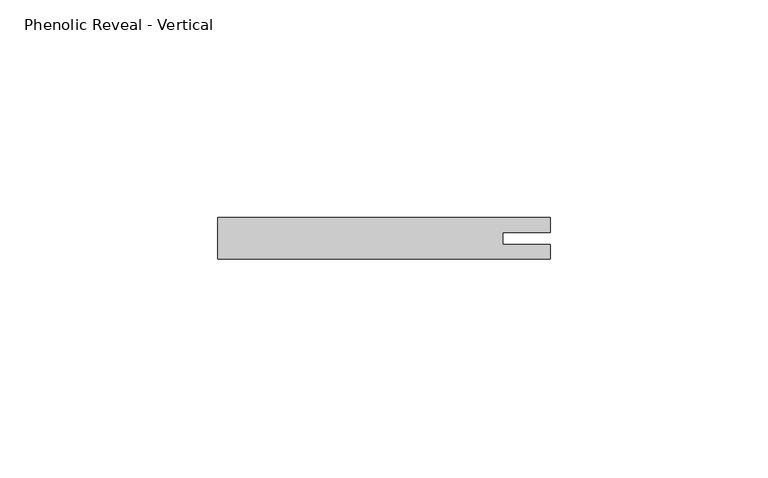
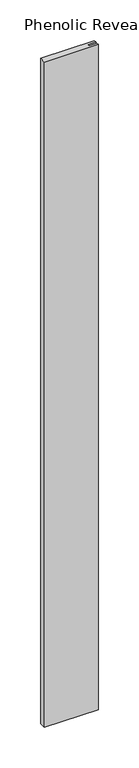
"""IFC4 building model written with IfcOpenShell, lengths in millimetres: proxy geometry, Phenolic Reveal - Vertical."""

import ifcopenshell
import ifcopenshell.guid

model = None  # the IFC model being written
_history = None  # IfcOwnerHistory: only IFC2X3 demands one
_inside = {}  # id of a spatial element -> (the spatial element, [elements in it])
_under = {}  # id of a project, library or spatial element -> (it, [spatial elements below it])
_declared = {}  # id of a project -> (the project, [libraries it declares])
_typed = {}  # id of a type object -> (the type object, [elements of that type])
_made_of = {}  # id of a material, layer set ... -> (it, [elements and type objects made of it])


def new_model(schema):
    """Start an empty IFC model of exactly this schema.

    Asked for "IFC4X3", IfcOpenShell would pick the latest addendum, in which some entities
    have other attributes; the version numbers below select the first issue.
    IFC2X3 requires an IfcOwnerHistory on every rooted entity: one is made here for all.
    """
    global model, _history
    if schema == "IFC4X3":
        model = ifcopenshell.file(schema_version=(4, 3, 0, 0))
    else:
        model = ifcopenshell.file(schema=schema)
    _inside.clear()
    _under.clear()
    _declared.clear()
    _typed.clear()
    _made_of.clear()
    _history = None
    if model.schema == "IFC2X3":
        org = make("IfcOrganization", Name="unknown")
        user = make(
            "IfcPersonAndOrganization",
            ThePerson=make("IfcPerson", FamilyName="unknown"),
            TheOrganization=org,
        )
        app = make(
            "IfcApplication",
            ApplicationDeveloper=org,
            Version="unknown",
            ApplicationFullName="unknown",
            ApplicationIdentifier="unknown",
        )
        _history = make(
            "IfcOwnerHistory",
            OwningUser=user,
            OwningApplication=app,
            ChangeAction="ADDED",
            CreationDate=0,
        )
    return model


def make(cls, **values):
    """One entity of the class cls with the attributes given. An attribute that is None is left unset."""
    return model.create_entity(
        cls, **{name: value for name, value in values.items() if value is not None}
    )


def rooted(cls, **values):
    """An entity with a GlobalId (a new one), such as an element, a storey or a relation."""
    return make(cls, GlobalId=ifcopenshell.guid.new(), OwnerHistory=_history, **values)


def si_unit(unit_type, name, prefix=None):
    """IfcSIUnit, for example si_unit("LENGTHUNIT", "METRE", prefix="MILLI")."""
    return make("IfcSIUnit", UnitType=unit_type, Prefix=prefix, Name=name)


def assignment(units):
    """IfcUnitAssignment: the units of a project."""
    return None if units is None else make("IfcUnitAssignment", Units=units)


def point(xyz):
    """IfcCartesianPoint."""
    return None if xyz is None else make("IfcCartesianPoint", Coordinates=xyz)


def direction(xyz):
    """IfcDirection."""
    return None if xyz is None else make("IfcDirection", DirectionRatios=xyz)


def frame(location, z_axis=None, x_axis=None):
    """IfcAxis2Placement3D, a coordinate frame: its origin and axes. An axis left out is left unset."""
    return make(
        "IfcAxis2Placement3D",
        Location=point(location),
        Axis=direction(z_axis),
        RefDirection=direction(x_axis),
    )


def origin():
    """The frame at (0, 0, 0) with its axes left unset."""
    return frame((0.0, 0.0, 0.0))


def origin_with_axes():
    """The frame at (0, 0, 0) with the z axis (0, 0, 1) and the x axis (1, 0, 0) written out."""
    return frame((0.0, 0.0, 0.0), z_axis=(0.0, 0.0, 1.0), x_axis=(1.0, 0.0, 0.0))


def place(relative_to, where):
    """IfcLocalPlacement: puts the frame where relative to a parent placement (None: the world)."""
    return make(
        "IfcLocalPlacement", PlacementRelTo=relative_to, RelativePlacement=where
    )


def context(
    kind, dimensions, precision=None, world=None, true_north=None, identifier=None
):
    """IfcGeometricRepresentationContext, for example the 3D "Model" context."""
    return make(
        "IfcGeometricRepresentationContext",
        ContextIdentifier=identifier,
        ContextType=kind,
        CoordinateSpaceDimension=dimensions,
        Precision=precision,
        WorldCoordinateSystem=world,
        TrueNorth=true_north,
    )


def project(units=None, contexts=None):
    """IfcProject with its units and contexts."""
    return rooted(
        "IfcProject",
        Name="project",
        RepresentationContexts=contexts,
        UnitsInContext=assignment(units),
    )


def spatial(cls, under=None, at=None, **own):
    """A site, building, storey or space (cls), placed at a placement, below another one or the project."""
    s = rooted(cls, ObjectPlacement=at, **own)
    if under is not None:
        _under.setdefault(under.id(), (under, []))[1].append(s)
    return s


def polyline(points):
    """IfcPolyline through the points."""
    return make("IfcPolyline", Points=[point(p) for p in points])


def outline(outer, holes=None, kind="AREA"):
    """IfcArbitraryClosedProfileDef: a profile drawn as a closed curve; with holes, ...WithVoids."""
    if holes is None:
        return make("IfcArbitraryClosedProfileDef", ProfileType=kind, OuterCurve=outer)
    return make(
        "IfcArbitraryProfileDefWithVoids",
        ProfileType=kind,
        OuterCurve=outer,
        InnerCurves=holes,
    )


def extrude(swept, where, along, depth):
    """IfcExtrudedAreaSolid: the profile swept, set in the frame where, extruded along a direction by depth."""
    return make(
        "IfcExtrudedAreaSolid",
        SweptArea=swept,
        Position=where,
        ExtrudedDirection=direction(along),
        Depth=depth,
    )


def shape(context_of_items, identifier, shape_type, items):
    """IfcShapeRepresentation: the items that make up one representation, for example the "Body"."""
    return make(
        "IfcShapeRepresentation",
        ContextOfItems=context_of_items,
        RepresentationIdentifier=identifier,
        RepresentationType=shape_type,
        Items=items,
    )


def source(mapping_origin, context_of_items, identifier, shape_type, items):
    """IfcRepresentationMap: a shape defined once, which mapped items show again and again."""
    return make(
        "IfcRepresentationMap",
        MappingOrigin=mapping_origin,
        MappedRepresentation=shape(context_of_items, identifier, shape_type, items),
    )


def transform(
    local_origin,
    x_axis=None,
    y_axis=None,
    z_axis=None,
    scale=None,
    scale2=None,
    scale3=None,
    uniform=True,
):
    """IfcCartesianTransformationOperator3D, or its non-uniform kind. x_axis, y_axis, z_axis: its Axis1, 2, 3."""
    if uniform:
        return make(
            "IfcCartesianTransformationOperator3D",
            Axis1=direction(x_axis),
            Axis2=direction(y_axis),
            LocalOrigin=point(local_origin),
            Scale=scale,
            Axis3=direction(z_axis),
        )
    return make(
        "IfcCartesianTransformationOperator3DnonUniform",
        Axis1=direction(x_axis),
        Axis2=direction(y_axis),
        LocalOrigin=point(local_origin),
        Scale=scale,
        Axis3=direction(z_axis),
        Scale2=scale2,
        Scale3=scale3,
    )


def mapped(mapping_source, mapping_target):
    """IfcMappedItem: shows the shape of a source again, moved by a transform."""
    return make(
        "IfcMappedItem", MappingSource=mapping_source, MappingTarget=mapping_target
    )


def made_of(thing, what):
    """Note that an element or type object is made of a material, layer set ...; save() writes the relation."""
    if what is not None:
        _made_of.setdefault(what.id(), (what, []))[1].append(thing)
    return thing


def element(
    cls,
    number,
    at=None,
    inside=None,
    cuts=None,
    type_object=None,
    material=None,
    context=None,
    identifier="Body",
    shape_type=None,
    held_by="IfcProductDefinitionShape",
    body=None,
    shapes=None,
    **own,
):
    """One element of the class cls, such as IfcWall. Its Tag is "e" and its number.

    at: its placement. inside: the storey or other place that contains it. cuts: it is an
    opening in that element (IfcRelVoidsElement). A single representation is given by context,
    identifier, shape_type and body (its items); several are given by shapes. held_by: the class
    of the entity that holds the representations. save() writes the other relations.
    """
    e = rooted(cls, Tag="e%d" % number, ObjectPlacement=at, **own)
    if body is not None:
        shapes = [shape(context, identifier, shape_type, body)]
    if shapes is not None:
        e.Representation = make(held_by, Representations=shapes)
    if inside is not None:
        _inside.setdefault(inside.id(), (inside, []))[1].append(e)
    if cuts is not None:
        rooted(
            "IfcRelVoidsElement", RelatingBuildingElement=cuts, RelatedOpeningElement=e
        )
    if type_object is not None:
        _typed.setdefault(type_object.id(), (type_object, []))[1].append(e)
    return made_of(e, material)


def aggregate(whole, parts):
    """IfcRelAggregates: a whole, such as a stair, and the parts it consists of."""
    return rooted("IfcRelAggregates", RelatingObject=whole, RelatedObjects=parts)


def save(model, path):
    """Write the relations noted so far, then the file.

    IfcRelAggregates (storeys below a building ...), IfcRelContainedInSpatialStructure (elements
    in a storey), IfcRelDefinesByType, IfcRelAssociatesMaterial and IfcRelDeclares: one each for
    every whole, place, type object, material and project.
    """
    for whole, parts in _under.values():
        aggregate(whole, parts)
    for where, things in _inside.values():
        rooted(
            "IfcRelContainedInSpatialStructure",
            RelatedElements=things,
            RelatingStructure=where,
        )
    for kind, things in _typed.values():
        rooted("IfcRelDefinesByType", RelatedObjects=things, RelatingType=kind)
    for what, things in _made_of.values():
        rooted("IfcRelAssociatesMaterial", RelatedObjects=things, RelatingMaterial=what)
    for by, libraries in _declared.values():
        rooted("IfcRelDeclares", RelatingContext=by, RelatedDefinitions=libraries)
    model.write(path)


def phenolic_reveal_vertical_773e71c0(model_context):
    return source(origin(), model_context, "Body", "SweptSolid", [
        extrude(outline(polyline([(76.2, 9.525), (76.2, 6.0765851), (65.3591015, 6.0765851), (65.3591015, 3.3757545), (76.2, 3.3757545), (76.2, 0.0), (0.0, 0.0), (0.0, 9.525), (76.2, 9.525)])), origin_with_axes(), (0.0, 0.0, 1.0), 1000.125),
    ])


if __name__ == "__main__":
    model = new_model("IFC4")
    model_context = context("Model", 3, world=origin())
    ifc_project = project(units=[si_unit("LENGTHUNIT", "METRE", prefix="MILLI")], contexts=[model_context])
    site = spatial("IfcSite", under=ifc_project)
    building = spatial("IfcBuilding", under=site)
    placement = place(None, origin())
    phenolic_reveal_vertical_shape = phenolic_reveal_vertical_773e71c0(model_context)
    element("IfcBuildingElementProxy", 1, Name="Phenolic Reveal - Vertical", ObjectType="Phenolic Reveal - Vertical", at=placement, inside=building, context=model_context, shape_type="MappedRepresentation", body=[
        mapped(phenolic_reveal_vertical_shape, transform((0.0, 0.0, 0.0), x_axis=(1.0, 0.0, 0.0), y_axis=(0.0, 1.0, 0.0), z_axis=(0.0, 0.0, 1.0))),
    ])
    save(model, "model.ifc")
